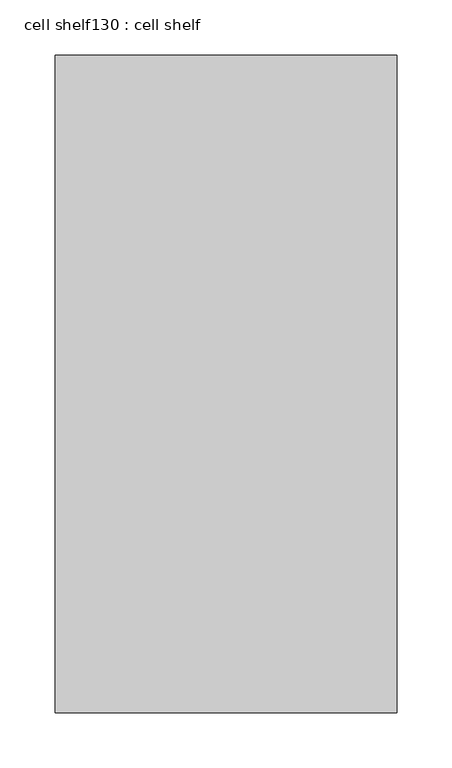
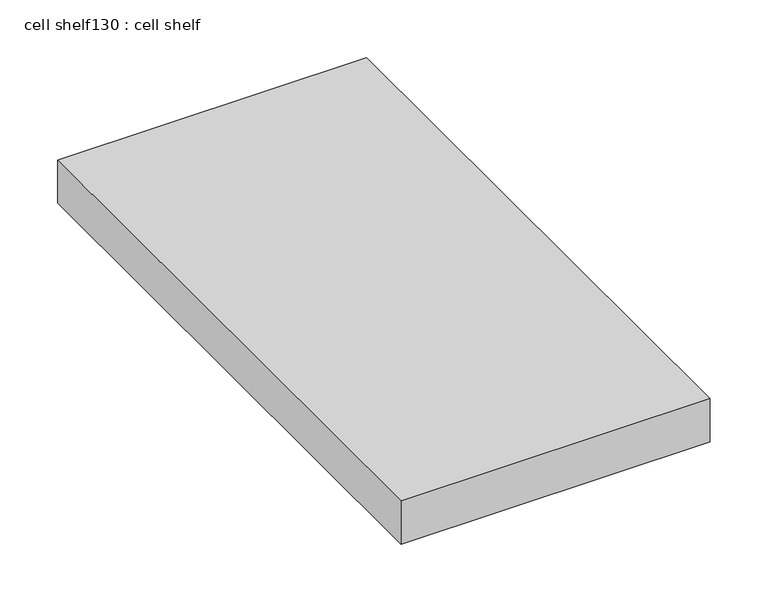
"""IFC4 building model written with IfcOpenShell, lengths in millimetres: proxy geometry, cell shelf130 : cell shelf."""

import ifcopenshell
import ifcopenshell.guid

model = None  # the IFC model being written
_history = None  # IfcOwnerHistory: only IFC2X3 demands one
_inside = {}  # id of a spatial element -> (the spatial element, [elements in it])
_under = {}  # id of a project, library or spatial element -> (it, [spatial elements below it])
_declared = {}  # id of a project -> (the project, [libraries it declares])
_typed = {}  # id of a type object -> (the type object, [elements of that type])
_made_of = {}  # id of a material, layer set ... -> (it, [elements and type objects made of it])


def new_model(schema):
    """Start an empty IFC model of exactly this schema.

    Asked for "IFC4X3", IfcOpenShell would pick the latest addendum, in which some entities
    have other attributes; the version numbers below select the first issue.
    IFC2X3 requires an IfcOwnerHistory on every rooted entity: one is made here for all.
    """
    global model, _history
    if schema == "IFC4X3":
        model = ifcopenshell.file(schema_version=(4, 3, 0, 0))
    else:
        model = ifcopenshell.file(schema=schema)
    _inside.clear()
    _under.clear()
    _declared.clear()
    _typed.clear()
    _made_of.clear()
    _history = None
    if model.schema == "IFC2X3":
        org = make("IfcOrganization", Name="unknown")
        user = make(
            "IfcPersonAndOrganization",
            ThePerson=make("IfcPerson", FamilyName="unknown"),
            TheOrganization=org,
        )
        app = make(
            "IfcApplication",
            ApplicationDeveloper=org,
            Version="unknown",
            ApplicationFullName="unknown",
            ApplicationIdentifier="unknown",
        )
        _history = make(
            "IfcOwnerHistory",
            OwningUser=user,
            OwningApplication=app,
            ChangeAction="ADDED",
            CreationDate=0,
        )
    return model


def make(cls, **values):
    """One entity of the class cls with the attributes given. An attribute that is None is left unset."""
    return model.create_entity(
        cls, **{name: value for name, value in values.items() if value is not None}
    )


def rooted(cls, **values):
    """An entity with a GlobalId (a new one), such as an element, a storey or a relation."""
    return make(cls, GlobalId=ifcopenshell.guid.new(), OwnerHistory=_history, **values)


def si_unit(unit_type, name, prefix=None):
    """IfcSIUnit, for example si_unit("LENGTHUNIT", "METRE", prefix="MILLI")."""
    return make("IfcSIUnit", UnitType=unit_type, Prefix=prefix, Name=name)


def assignment(units):
    """IfcUnitAssignment: the units of a project."""
    return None if units is None else make("IfcUnitAssignment", Units=units)


def point(xyz):
    """IfcCartesianPoint."""
    return None if xyz is None else make("IfcCartesianPoint", Coordinates=xyz)


def direction(xyz):
    """IfcDirection."""
    return None if xyz is None else make("IfcDirection", DirectionRatios=xyz)


def frame(location, z_axis=None, x_axis=None):
    """IfcAxis2Placement3D, a coordinate frame: its origin and axes. An axis left out is left unset."""
    return make(
        "IfcAxis2Placement3D",
        Location=point(location),
        Axis=direction(z_axis),
        RefDirection=direction(x_axis),
    )


def origin():
    """The frame at (0, 0, 0) with its axes left unset."""
    return frame((0.0, 0.0, 0.0))


def place(relative_to, where):
    """IfcLocalPlacement: puts the frame where relative to a parent placement (None: the world)."""
    return make(
        "IfcLocalPlacement", PlacementRelTo=relative_to, RelativePlacement=where
    )


def context(
    kind, dimensions, precision=None, world=None, true_north=None, identifier=None
):
    """IfcGeometricRepresentationContext, for example the 3D "Model" context."""
    return make(
        "IfcGeometricRepresentationContext",
        ContextIdentifier=identifier,
        ContextType=kind,
        CoordinateSpaceDimension=dimensions,
        Precision=precision,
        WorldCoordinateSystem=world,
        TrueNorth=true_north,
    )


def project(units=None, contexts=None):
    """IfcProject with its units and contexts."""
    return rooted(
        "IfcProject",
        Name="project",
        RepresentationContexts=contexts,
        UnitsInContext=assignment(units),
    )


def spatial(cls, under=None, at=None, **own):
    """A site, building, storey or space (cls), placed at a placement, below another one or the project."""
    s = rooted(cls, ObjectPlacement=at, **own)
    if under is not None:
        _under.setdefault(under.id(), (under, []))[1].append(s)
    return s


def polyline(points):
    """IfcPolyline through the points."""
    return make("IfcPolyline", Points=[point(p) for p in points])


def outline(outer, holes=None, kind="AREA"):
    """IfcArbitraryClosedProfileDef: a profile drawn as a closed curve; with holes, ...WithVoids."""
    if holes is None:
        return make("IfcArbitraryClosedProfileDef", ProfileType=kind, OuterCurve=outer)
    return make(
        "IfcArbitraryProfileDefWithVoids",
        ProfileType=kind,
        OuterCurve=outer,
        InnerCurves=holes,
    )


def extrude(swept, where, along, depth):
    """IfcExtrudedAreaSolid: the profile swept, set in the frame where, extruded along a direction by depth."""
    return make(
        "IfcExtrudedAreaSolid",
        SweptArea=swept,
        Position=where,
        ExtrudedDirection=direction(along),
        Depth=depth,
    )


def shape(context_of_items, identifier, shape_type, items):
    """IfcShapeRepresentation: the items that make up one representation, for example the "Body"."""
    return make(
        "IfcShapeRepresentation",
        ContextOfItems=context_of_items,
        RepresentationIdentifier=identifier,
        RepresentationType=shape_type,
        Items=items,
    )


def source(mapping_origin, context_of_items, identifier, shape_type, items):
    """IfcRepresentationMap: a shape defined once, which mapped items show again and again."""
    return make(
        "IfcRepresentationMap",
        MappingOrigin=mapping_origin,
        MappedRepresentation=shape(context_of_items, identifier, shape_type, items),
    )


def transform(
    local_origin,
    x_axis=None,
    y_axis=None,
    z_axis=None,
    scale=None,
    scale2=None,
    scale3=None,
    uniform=True,
):
    """IfcCartesianTransformationOperator3D, or its non-uniform kind. x_axis, y_axis, z_axis: its Axis1, 2, 3."""
    if uniform:
        return make(
            "IfcCartesianTransformationOperator3D",
            Axis1=direction(x_axis),
            Axis2=direction(y_axis),
            LocalOrigin=point(local_origin),
            Scale=scale,
            Axis3=direction(z_axis),
        )
    return make(
        "IfcCartesianTransformationOperator3DnonUniform",
        Axis1=direction(x_axis),
        Axis2=direction(y_axis),
        LocalOrigin=point(local_origin),
        Scale=scale,
        Axis3=direction(z_axis),
        Scale2=scale2,
        Scale3=scale3,
    )


def mapped(mapping_source, mapping_target):
    """IfcMappedItem: shows the shape of a source again, moved by a transform."""
    return make(
        "IfcMappedItem", MappingSource=mapping_source, MappingTarget=mapping_target
    )


def made_of(thing, what):
    """Note that an element or type object is made of a material, layer set ...; save() writes the relation."""
    if what is not None:
        _made_of.setdefault(what.id(), (what, []))[1].append(thing)
    return thing


def element(
    cls,
    number,
    at=None,
    inside=None,
    cuts=None,
    type_object=None,
    material=None,
    context=None,
    identifier="Body",
    shape_type=None,
    held_by="IfcProductDefinitionShape",
    body=None,
    shapes=None,
    **own,
):
    """One element of the class cls, such as IfcWall. Its Tag is "e" and its number.

    at: its placement. inside: the storey or other place that contains it. cuts: it is an
    opening in that element (IfcRelVoidsElement). A single representation is given by context,
    identifier, shape_type and body (its items); several are given by shapes. held_by: the class
    of the entity that holds the representations. save() writes the other relations.
    """
    e = rooted(cls, Tag="e%d" % number, ObjectPlacement=at, **own)
    if body is not None:
        shapes = [shape(context, identifier, shape_type, body)]
    if shapes is not None:
        e.Representation = make(held_by, Representations=shapes)
    if inside is not None:
        _inside.setdefault(inside.id(), (inside, []))[1].append(e)
    if cuts is not None:
        rooted(
            "IfcRelVoidsElement", RelatingBuildingElement=cuts, RelatedOpeningElement=e
        )
    if type_object is not None:
        _typed.setdefault(type_object.id(), (type_object, []))[1].append(e)
    return made_of(e, material)


def aggregate(whole, parts):
    """IfcRelAggregates: a whole, such as a stair, and the parts it consists of."""
    return rooted("IfcRelAggregates", RelatingObject=whole, RelatedObjects=parts)


def save(model, path):
    """Write the relations noted so far, then the file.

    IfcRelAggregates (storeys below a building ...), IfcRelContainedInSpatialStructure (elements
    in a storey), IfcRelDefinesByType, IfcRelAssociatesMaterial and IfcRelDeclares: one each for
    every whole, place, type object, material and project.
    """
    for whole, parts in _under.values():
        aggregate(whole, parts)
    for where, things in _inside.values():
        rooted(
            "IfcRelContainedInSpatialStructure",
            RelatedElements=things,
            RelatingStructure=where,
        )
    for kind, things in _typed.values():
        rooted("IfcRelDefinesByType", RelatedObjects=things, RelatingType=kind)
    for what, things in _made_of.values():
        rooted("IfcRelAssociatesMaterial", RelatedObjects=things, RelatingMaterial=what)
    for by, libraries in _declared.values():
        rooted("IfcRelDeclares", RelatingContext=by, RelatedDefinitions=libraries)
    model.write(path)


def cell_shelf130_cell_shelf_a0e42fb1(model_context):
    return source(origin(), model_context, "Body", "SweptSolid", [
        extrude(outline(polyline([(-121660.4057177, 1479.5603861), (-121660.4057177, 884.4739905), (-121969.7535142, 884.4739905), (-121969.7535142, 1479.5603861), (-121660.4057177, 1479.5603861)])), frame((0.0, 0.0, 1320.0941517), z_axis=(0.0, 0.0, 1.0), x_axis=(1.0, 0.0, 0.0)), (0.0, 0.0, 1.0), 45.8133004),
    ])


if __name__ == "__main__":
    model = new_model("IFC4")
    model_context = context("Model", 3, world=origin())
    ifc_project = project(units=[si_unit("LENGTHUNIT", "METRE", prefix="MILLI")], contexts=[model_context])
    site = spatial("IfcSite", under=ifc_project)
    building = spatial("IfcBuilding", under=site)
    placement = place(None, origin())
    cell_shelf130_cell_shelf_shape = cell_shelf130_cell_shelf_a0e42fb1(model_context)
    element("IfcBuildingElementProxy", 1, Name="cell shelf130 : cell shelf", ObjectType="cell shelf130 : cell shelf", at=placement, inside=building, context=model_context, shape_type="MappedRepresentation", body=[
        mapped(cell_shelf130_cell_shelf_shape, transform((0.0, 0.0, 0.0), x_axis=(1.0, 0.0, 0.0), y_axis=(0.0, 1.0, 0.0), z_axis=(0.0, 0.0, 1.0))),
    ])
    save(model, "model.ifc")
